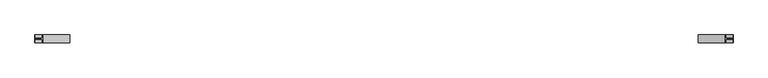
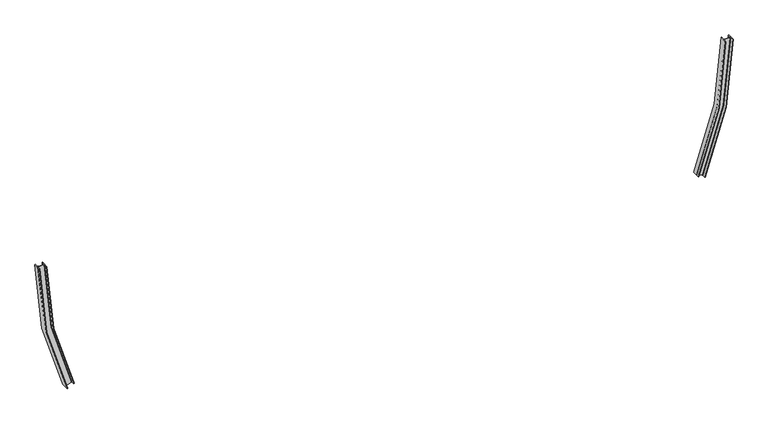
"""IFC4 building model written with IfcOpenShell, lengths in millimetres: beam geometry."""

from ifc_helpers import new_model, si_unit, point, frame, origin, place, context, project, spatial, polyline, circle_curve, ellipse_curve, trimmed, source, transform, mapped, element, save
from ifc_brep_helpers import plane_surface, cylinder_surface, revolved_surface, advanced_brep


def beam_5b2ab8e0(model_context):
    return source(origin(), model_context, "Body", "AdvancedBrep", [
        advanced_brep(
        [(5670.0, -62.5, 0.0), (5670.0, 62.5, 0.0), (5661.0, 62.5, 0.0), (5661.0, 11.25, 0.0), (5653.0, 3.25, 0.0), (5562.0, 3.25, 0.0), (5554.0, 11.25, 0.0), (5554.0, 62.5, 0.0), (5545.0, 62.5, 0.0), (5545.0, -62.5, 0.0), (5554.0, -62.5, 0.0), (5554.0, -11.25, 0.0), (5562.0, -3.25, 0.0), (5653.0, -3.25, 0.0), (5661.0, -11.25, 0.0), (5661.0, -62.5, 0.0), (5215.4009929, -62.5, -2224.5207312), (5207.1225786, -62.5, -2220.9897459), (5207.1225786, -11.25, -2220.9897459), (5199.7639881, -3.25, -2217.8510923), (5116.0600216, -3.25, -2182.1489077), (5108.7014311, -11.25, -2179.0102541), (5108.7014311, -62.5, -2179.0102541), (5100.4230169, -62.5, -2175.4792688), (5100.4230169, 62.5, -2175.4792688), (5108.7014311, 62.5, -2179.0102541), (5108.7014311, 11.25, -2179.0102541), (5116.0600216, 3.25, -2182.1489077), (5199.7639881, 3.25, -2217.8510923), (5207.1225786, 11.25, -2220.9897459), (5207.1225786, 62.5, -2220.9897459), (5215.4009929, 62.5, -2224.5207312)],
        [
            (0, 1),
            (1, 2),
            (2, 3),
            (3, 4, circle_curve(frame((5653.0, 11.25, 0.0), z_axis=(0.0, 0.0, -1.0), x_axis=(0.0, -1.0, 0.0)), 8.0)),
            (4, 5),
            (5, 6, circle_curve(frame((5562.0, 11.25, 0.0), z_axis=(0.0, 0.0, -1.0), x_axis=(0.0, -1.0, 0.0)), 8.0)),
            (6, 7),
            (7, 8),
            (8, 9),
            (9, 10),
            (10, 11),
            (11, 12, circle_curve(frame((5562.0, -11.25, 0.0), z_axis=(0.0, 0.0, -1.0), x_axis=(0.0, -1.0, 0.0)), 8.0)),
            (12, 13),
            (13, 14, circle_curve(frame((5653.0, -11.25, 0.0), z_axis=(0.0, 0.0, -1.0), x_axis=(0.0, -1.0, 0.0)), 8.0)),
            (14, 15),
            (15, 0),
            (16, 17),
            (17, 18),
            (18, 19, circle_curve(frame((5199.7639881, -11.25, -2217.8510923), z_axis=(0.3923316986179228, 0.0, 0.9198238082695921), x_axis=(0.0, -1.0, 0.0)), 8.0)),
            (19, 20),
            (20, 21, circle_curve(frame((5116.0600216, -11.25, -2182.1489077), z_axis=(0.3923316986179228, 0.0, 0.9198238082695921), x_axis=(0.0, -1.0, 0.0)), 8.0)),
            (21, 22),
            (22, 23),
            (23, 24),
            (24, 25),
            (25, 26),
            (26, 27, circle_curve(frame((5116.0600216, 11.25, -2182.1489077), z_axis=(0.3923316986179228, 0.0, 0.9198238082695921), x_axis=(0.0, -1.0, 0.0)), 8.0)),
            (27, 28),
            (28, 29, circle_curve(frame((5199.7639881, 11.25, -2217.8510923), z_axis=(0.3923316986179228, 0.0, 0.9198238082695921), x_axis=(0.0, -1.0, 0.0)), 8.0)),
            (29, 30),
            (30, 31),
            (31, 16),
            (31, 1, circle_curve(frame((0.0, 62.5, 0.0), z_axis=(0.0, -1.0, 0.0), x_axis=(1.0, 0.0, 0.0)), 5670.0)),
            (0, 16, circle_curve(frame((0.0, -62.5, 0.0), z_axis=(0.0, 1.0, 0.0), x_axis=(1.0, 0.0, 0.0)), 5670.0)),
            (30, 2, circle_curve(frame((0.0, 62.5, 0.0), z_axis=(0.0, -1.0, 0.0), x_axis=(1.0, 0.0, 0.0)), 5661.0)),
            (29, 3, circle_curve(frame((0.0, 11.25, 0.0), z_axis=(0.0, -1.0, 0.0), x_axis=(1.0, 0.0, 0.0)), 5661.0)),
            (28, 4, circle_curve(frame((0.0, 3.25, 0.0), z_axis=(0.0, -1.0, 0.0), x_axis=(1.0, 0.0, 0.0)), 5653.0)),
            (27, 5, circle_curve(frame((0.0, 3.25, 0.0), z_axis=(0.0, -1.0, 0.0), x_axis=(1.0, 0.0, 0.0)), 5562.0)),
            (26, 6, circle_curve(frame((0.0, 11.25, 0.0), z_axis=(0.0, -1.0, 0.0), x_axis=(1.0, 0.0, 0.0)), 5554.0)),
            (25, 7, circle_curve(frame((0.0, 62.5, 0.0), z_axis=(0.0, -1.0, 0.0), x_axis=(1.0, 0.0, 0.0)), 5554.0)),
            (24, 8, circle_curve(frame((0.0, 62.5, 0.0), z_axis=(0.0, -1.0, 0.0), x_axis=(1.0, 0.0, 0.0)), 5545.0)),
            (23, 9, circle_curve(frame((0.0, -62.5, 0.0), z_axis=(0.0, -1.0, 0.0), x_axis=(1.0, 0.0, 0.0)), 5545.0)),
            (22, 10, circle_curve(frame((0.0, -62.5, 0.0), z_axis=(0.0, -1.0, 0.0), x_axis=(1.0, 0.0, 0.0)), 5554.0)),
            (21, 11, circle_curve(frame((0.0, -11.25, 0.0), z_axis=(0.0, -1.0, 0.0), x_axis=(1.0, 0.0, 0.0)), 5554.0)),
            (20, 12, circle_curve(frame((0.0, -3.25, 0.0), z_axis=(0.0, -1.0, 0.0), x_axis=(1.0, 0.0, 0.0)), 5562.0)),
            (19, 13, circle_curve(frame((0.0, -3.25, 0.0), z_axis=(0.0, -1.0, 0.0), x_axis=(1.0, 0.0, 0.0)), 5653.0)),
            (18, 14, circle_curve(frame((0.0, -11.25, 0.0), z_axis=(0.0, -1.0, 0.0), x_axis=(1.0, 0.0, 0.0)), 5661.0)),
            (17, 15, circle_curve(frame((0.0, -62.5, 0.0), z_axis=(0.0, -1.0, 0.0), x_axis=(1.0, 0.0, 0.0)), 5661.0)),
        ],
        [
            plane_surface(frame((5607.5, 0.0, 0.0), z_axis=(0.0, 0.0, 1.0), x_axis=(0.0, -1.0, 0.0))),
            plane_surface(frame((5157.9120049, 0.0, -2200.0), z_axis=(-0.3923316986179227, 0.0, -0.9198238082695922), x_axis=(0.0, -1.0, 0.0))),
            cylinder_surface(frame((0.0, 0.0, 0.0), z_axis=(0.0, 1.0, 0.0), x_axis=(1.0, 0.0, 0.0)), 5670.0),
            plane_surface(frame((0.0, 62.5, 0.0), z_axis=(0.0, 1.0, 0.0), x_axis=(1.0, 0.0, 0.0))),
            revolved_surface(polyline([(5661.0, 62.5, 0.0), (5661.0, 11.25, 0.0)]), (0.0, 0.0, 0.0), (0.0, 1.0, 0.0)),
            revolved_surface(trimmed(ellipse_curve(frame((5653.0, 11.25, 0.0), z_axis=(0.0, 0.0, -1.0), x_axis=(0.0, -1.0, 0.0)), 8.0, 8.0), [point((5661.0, 11.25, 0.0))], [point((5653.0, 3.25, 0.0))], True, "CARTESIAN"), (0.0, 0.0, 0.0), (0.0, 1.0, 0.0)),
            plane_surface(frame((0.0, 3.25, 0.0), z_axis=(0.0, 1.0, 0.0), x_axis=(1.0, 0.0, 0.0))),
            revolved_surface(trimmed(ellipse_curve(frame((5562.0, 11.25, 0.0), z_axis=(0.0, 0.0, -1.0), x_axis=(0.0, -1.0, 0.0)), 8.0, 8.0), [point((5562.0, 3.25, 0.0))], [point((5554.0, 11.25, 0.0))], True, "CARTESIAN"), (0.0, 0.0, 0.0), (0.0, 1.0, 0.0)),
            cylinder_surface(frame((0.0, 0.0, 0.0), z_axis=(0.0, 1.0, 0.0), x_axis=(1.0, 0.0, 0.0)), 5554.0),
            revolved_surface(polyline([(5545.0, 62.5, 0.0), (5545.0, -62.5, 0.0)]), (0.0, 0.0, 0.0), (0.0, 1.0, 0.0)),
            plane_surface(frame((0.0, -62.5, 0.0), z_axis=(0.0, -1.0, 0.0), x_axis=(1.0, 0.0, 0.0))),
            revolved_surface(trimmed(ellipse_curve(frame((5562.0, -11.25, 0.0), z_axis=(0.0, 0.0, -1.0), x_axis=(0.0, -1.0, 0.0)), 8.0, 8.0), [point((5554.0, -11.25, 0.0))], [point((5562.0, -3.25, 0.0))], True, "CARTESIAN"), (0.0, 0.0, 0.0), (0.0, 1.0, 0.0)),
            plane_surface(frame((0.0, -3.25, 0.0), z_axis=(0.0, -1.0, 0.0), x_axis=(1.0, 0.0, 0.0))),
            revolved_surface(trimmed(ellipse_curve(frame((5653.0, -11.25, 0.0), z_axis=(0.0, 0.0, -1.0), x_axis=(0.0, -1.0, 0.0)), 8.0, 8.0), [point((5653.0, -3.25, 0.0))], [point((5661.0, -11.25, 0.0))], True, "CARTESIAN"), (0.0, 0.0, 0.0), (0.0, 1.0, 0.0)),
            revolved_surface(polyline([(5661.0, -11.25, 0.0), (5661.0, -62.5, 0.0)]), (0.0, 0.0, 0.0), (0.0, 1.0, 0.0)),
        ],
        [
            (0, [[1, 2, 3, 4, 5, 6, 7, 8, 9, 10, 11, 12, 13, 14, 15, 16]]),
            (1, [[17, 18, 19, 20, 21, 22, 23, 24, 25, 26, 27, 28, 29, 30, 31, 32]]),
            (2, [[33, -1, 34, -32]]),
            (3, [[35, -2, -33, -31]]),
            (4, [[36, -3, -35, -30]]),
            (5, [[37, -4, -36, -29]]),
            (6, [[38, -5, -37, -28]]),
            (7, [[39, -6, -38, -27]]),
            (8, [[40, -7, -39, -26]]),
            (3, [[41, -8, -40, -25]]),
            (9, [[42, -9, -41, -24]]),
            (10, [[43, -10, -42, -23]]),
            (8, [[44, -11, -43, -22]]),
            (11, [[45, -12, -44, -21]]),
            (12, [[46, -13, -45, -20]]),
            (13, [[47, -14, -46, -19]]),
            (14, [[48, -15, -47, -18]]),
            (10, [[-34, -16, -48, -17]]),
        ],
    ),
        advanced_brep(
        [(-5545.0, -62.5, 0.0), (-5545.0, 62.5, 0.0), (-5554.0, 62.5, 0.0), (-5554.0, 11.25, 0.0), (-5562.0, 3.25, 0.0), (-5653.0, 3.25, 0.0), (-5661.0, 11.25, 0.0), (-5661.0, 62.5, 0.0), (-5670.0, 62.5, 0.0), (-5670.0, -62.5, 0.0), (-5661.0, -62.5, 0.0), (-5661.0, -11.25, 0.0), (-5653.0, -3.25, 0.0), (-5562.0, -3.25, 0.0), (-5554.0, -11.25, 0.0), (-5554.0, -62.5, 0.0), (-5100.4230169, -62.5, -2175.4792688), (-5108.7014311, -62.5, -2179.0102541), (-5108.7014311, -11.25, -2179.0102541), (-5116.0600216, -3.25, -2182.1489077), (-5199.7639881, -3.25, -2217.8510923), (-5207.1225786, -11.25, -2220.9897459), (-5207.1225786, -62.5, -2220.9897459), (-5215.4009929, -62.5, -2224.5207312), (-5215.4009929, 62.5, -2224.5207312), (-5207.1225786, 62.5, -2220.9897459), (-5207.1225786, 11.25, -2220.9897459), (-5199.7639881, 3.25, -2217.8510923), (-5116.0600216, 3.25, -2182.1489077), (-5108.7014311, 11.25, -2179.0102541), (-5108.7014311, 62.5, -2179.0102541), (-5100.4230169, 62.5, -2175.4792688)],
        [
            (0, 1),
            (1, 2),
            (2, 3),
            (3, 4, circle_curve(frame((-5562.0, 11.25, 0.0), z_axis=(0.0, 0.0, -1.0), x_axis=(0.0, -1.0, 0.0)), 8.0)),
            (4, 5),
            (5, 6, circle_curve(frame((-5653.0, 11.25, 0.0), z_axis=(0.0, 0.0, -1.0), x_axis=(0.0, -1.0, 0.0)), 8.0)),
            (6, 7),
            (7, 8),
            (8, 9),
            (9, 10),
            (10, 11),
            (11, 12, circle_curve(frame((-5653.0, -11.25, 0.0), z_axis=(0.0, 0.0, -1.0), x_axis=(0.0, -1.0, 0.0)), 8.0)),
            (12, 13),
            (13, 14, circle_curve(frame((-5562.0, -11.25, 0.0), z_axis=(0.0, 0.0, -1.0), x_axis=(0.0, -1.0, 0.0)), 8.0)),
            (14, 15),
            (15, 0),
            (16, 17),
            (17, 18),
            (18, 19, circle_curve(frame((-5116.0600216, -11.25, -2182.1489077), z_axis=(-0.39233169861792244, 0.0, 0.9198238082695923), x_axis=(0.0, -1.0, 0.0)), 8.0)),
            (19, 20),
            (20, 21, circle_curve(frame((-5199.7639881, -11.25, -2217.8510923), z_axis=(-0.39233169861792244, 0.0, 0.9198238082695923), x_axis=(0.0, -1.0, 0.0)), 8.0)),
            (21, 22),
            (22, 23),
            (23, 24),
            (24, 25),
            (25, 26),
            (26, 27, circle_curve(frame((-5199.7639881, 11.25, -2217.8510923), z_axis=(-0.39233169861792244, 0.0, 0.9198238082695923), x_axis=(0.0, -1.0, 0.0)), 8.0)),
            (27, 28),
            (28, 29, circle_curve(frame((-5116.0600216, 11.25, -2182.1489077), z_axis=(-0.39233169861792244, 0.0, 0.9198238082695923), x_axis=(0.0, -1.0, 0.0)), 8.0)),
            (29, 30),
            (30, 31),
            (31, 16),
            (31, 1, circle_curve(frame((0.0, 62.5, 0.0), z_axis=(0.0, 1.0, 0.0), x_axis=(-1.0, 0.0, 0.0)), 5545.0)),
            (0, 16, circle_curve(frame((0.0, -62.5, 0.0), z_axis=(0.0, -1.0, 0.0), x_axis=(-1.0, 0.0, 0.0)), 5545.0)),
            (30, 2, circle_curve(frame((0.0, 62.5, 0.0), z_axis=(0.0, 1.0, 0.0), x_axis=(-1.0, 0.0, 0.0)), 5554.0)),
            (29, 3, circle_curve(frame((0.0, 11.25, 0.0), z_axis=(0.0, 1.0, 0.0), x_axis=(-1.0, 0.0, 0.0)), 5554.0)),
            (28, 4, circle_curve(frame((0.0, 3.25, 0.0), z_axis=(0.0, 1.0, 0.0), x_axis=(-1.0, 0.0, 0.0)), 5562.0)),
            (27, 5, circle_curve(frame((0.0, 3.25, 0.0), z_axis=(0.0, 1.0, 0.0), x_axis=(-1.0, 0.0, 0.0)), 5653.0)),
            (26, 6, circle_curve(frame((0.0, 11.25, 0.0), z_axis=(0.0, 1.0, 0.0), x_axis=(-1.0, 0.0, 0.0)), 5661.0)),
            (25, 7, circle_curve(frame((0.0, 62.5, 0.0), z_axis=(0.0, 1.0, 0.0), x_axis=(-1.0, 0.0, 0.0)), 5661.0)),
            (24, 8, circle_curve(frame((0.0, 62.5, 0.0), z_axis=(0.0, 1.0, 0.0), x_axis=(-1.0, 0.0, 0.0)), 5670.0)),
            (23, 9, circle_curve(frame((0.0, -62.5, 0.0), z_axis=(0.0, 1.0, 0.0), x_axis=(-1.0, 0.0, 0.0)), 5670.0)),
            (22, 10, circle_curve(frame((0.0, -62.5, 0.0), z_axis=(0.0, 1.0, 0.0), x_axis=(-1.0, 0.0, 0.0)), 5661.0)),
            (21, 11, circle_curve(frame((0.0, -11.25, 0.0), z_axis=(0.0, 1.0, 0.0), x_axis=(-1.0, 0.0, 0.0)), 5661.0)),
            (20, 12, circle_curve(frame((0.0, -3.25, 0.0), z_axis=(0.0, 1.0, 0.0), x_axis=(-1.0, 0.0, 0.0)), 5653.0)),
            (19, 13, circle_curve(frame((0.0, -3.25, 0.0), z_axis=(0.0, 1.0, 0.0), x_axis=(-1.0, 0.0, 0.0)), 5562.0)),
            (18, 14, circle_curve(frame((0.0, -11.25, 0.0), z_axis=(0.0, 1.0, 0.0), x_axis=(-1.0, 0.0, 0.0)), 5554.0)),
            (17, 15, circle_curve(frame((0.0, -62.5, 0.0), z_axis=(0.0, 1.0, 0.0), x_axis=(-1.0, 0.0, 0.0)), 5554.0)),
        ],
        [
            plane_surface(frame((-5607.5, 0.0, 0.0), z_axis=(0.0, 0.0, 1.0), x_axis=(0.0, -1.0, 0.0))),
            plane_surface(frame((-5157.9120049, 0.0, -2200.0), z_axis=(0.3923316986179224, 0.0, -0.9198238082695924), x_axis=(0.0, -1.0, 0.0))),
            revolved_surface(polyline([(-5545.0, -62.5, 0.0), (-5545.0, 62.5, 0.0)]), (0.0, 0.0, 0.0), (0.0, -1.0, 0.0)),
            plane_surface(frame((0.0, 62.5, 0.0), z_axis=(0.0, 1.0, 0.0), x_axis=(-1.0, 0.0, 0.0))),
            cylinder_surface(frame((0.0, 0.0, 0.0), z_axis=(0.0, -1.0, 0.0), x_axis=(-1.0, 0.0, 0.0)), 5554.0),
            revolved_surface(trimmed(ellipse_curve(frame((-5562.0, 11.25, 0.0), z_axis=(0.0, 0.0, -1.0), x_axis=(0.0, -1.0, 0.0)), 8.0, 8.0), [point((-5554.0, 11.25, 0.0))], [point((-5562.0, 3.25, 0.0))], True, "CARTESIAN"), (0.0, 0.0, 0.0), (0.0, -1.0, 0.0)),
            plane_surface(frame((0.0, 3.25, 0.0), z_axis=(0.0, 1.0, 0.0), x_axis=(-1.0, 0.0, 0.0))),
            revolved_surface(trimmed(ellipse_curve(frame((-5653.0, 11.25, 0.0), z_axis=(0.0, 0.0, -1.0), x_axis=(0.0, -1.0, 0.0)), 8.0, 8.0), [point((-5653.0, 3.25, 0.0))], [point((-5661.0, 11.25, 0.0))], True, "CARTESIAN"), (0.0, 0.0, 0.0), (0.0, -1.0, 0.0)),
            revolved_surface(polyline([(-5661.0, 11.25, 0.0), (-5661.0, 62.5, 0.0)]), (0.0, 0.0, 0.0), (0.0, -1.0, 0.0)),
            cylinder_surface(frame((0.0, 0.0, 0.0), z_axis=(0.0, -1.0, 0.0), x_axis=(-1.0, 0.0, 0.0)), 5670.0),
            plane_surface(frame((0.0, -62.5, 0.0), z_axis=(0.0, -1.0, 0.0), x_axis=(-1.0, 0.0, 0.0))),
            revolved_surface(polyline([(-5661.0, -62.5, 0.0), (-5661.0, -11.25, 0.0)]), (0.0, 0.0, 0.0), (0.0, -1.0, 0.0)),
            revolved_surface(trimmed(ellipse_curve(frame((-5653.0, -11.25, 0.0), z_axis=(0.0, 0.0, -1.0), x_axis=(0.0, -1.0, 0.0)), 8.0, 8.0), [point((-5661.0, -11.25, 0.0))], [point((-5653.0, -3.25, 0.0))], True, "CARTESIAN"), (0.0, 0.0, 0.0), (0.0, -1.0, 0.0)),
            plane_surface(frame((0.0, -3.25, 0.0), z_axis=(0.0, -1.0, 0.0), x_axis=(-1.0, 0.0, 0.0))),
            revolved_surface(trimmed(ellipse_curve(frame((-5562.0, -11.25, 0.0), z_axis=(0.0, 0.0, -1.0), x_axis=(0.0, -1.0, 0.0)), 8.0, 8.0), [point((-5562.0, -3.25, 0.0))], [point((-5554.0, -11.25, 0.0))], True, "CARTESIAN"), (0.0, 0.0, 0.0), (0.0, -1.0, 0.0)),
        ],
        [
            (0, [[1, 2, 3, 4, 5, 6, 7, 8, 9, 10, 11, 12, 13, 14, 15, 16]]),
            (1, [[17, 18, 19, 20, 21, 22, 23, 24, 25, 26, 27, 28, 29, 30, 31, 32]]),
            (2, [[33, -1, 34, -32]]),
            (3, [[35, -2, -33, -31]]),
            (4, [[36, -3, -35, -30]]),
            (5, [[37, -4, -36, -29]]),
            (6, [[38, -5, -37, -28]]),
            (7, [[39, -6, -38, -27]]),
            (8, [[40, -7, -39, -26]]),
            (3, [[41, -8, -40, -25]]),
            (9, [[42, -9, -41, -24]]),
            (10, [[43, -10, -42, -23]]),
            (11, [[44, -11, -43, -22]]),
            (12, [[45, -12, -44, -21]]),
            (13, [[46, -13, -45, -20]]),
            (14, [[47, -14, -46, -19]]),
            (4, [[48, -15, -47, -18]]),
            (10, [[-34, -16, -48, -17]]),
        ],
    ),
    ])


if __name__ == "__main__":
    model = new_model("IFC4")
    model_context = context("Model", 3, world=origin())
    ifc_project = project(units=[si_unit("LENGTHUNIT", "METRE", prefix="MILLI")], contexts=[model_context])
    site = spatial("IfcSite", under=ifc_project)
    building = spatial("IfcBuilding", under=site)
    placement = place(None, origin())
    beam_shape = beam_5b2ab8e0(model_context)
    element("IfcBeam", 1, at=placement, inside=building, context=model_context, shape_type="MappedRepresentation", body=[
        mapped(beam_shape, transform((0.0, 0.0, 0.0), x_axis=(1.0, 0.0, 0.0), y_axis=(0.0, 1.0, 0.0), z_axis=(0.0, 0.0, 1.0))),
    ])
    save(model, "model.ifc")
